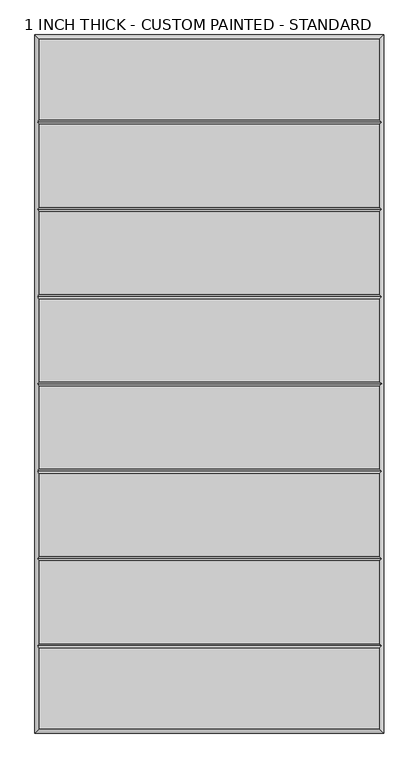
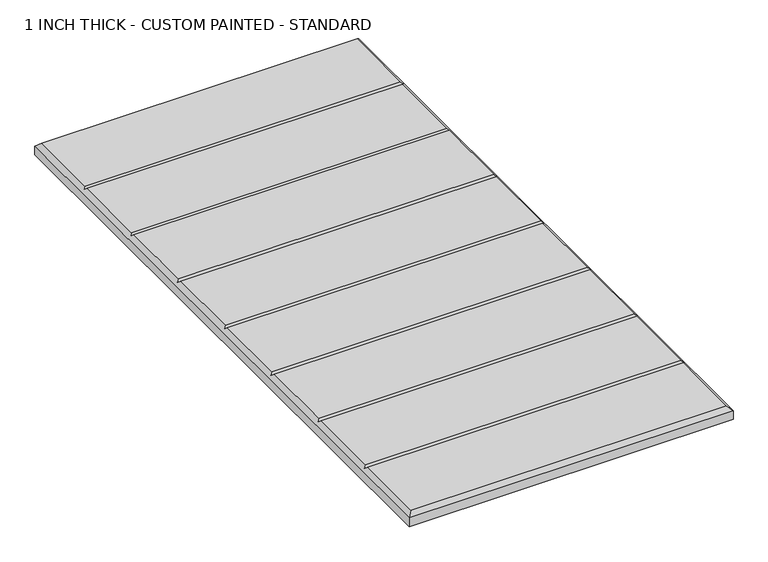
"""IFC4 building model written with IfcOpenShell, lengths in millimetres: proxy geometry, 1 INCH THICK - CUSTOM PAINTED - STANDARD."""

from ifc_helpers import new_model, si_unit, origin, place, context, project, spatial, faceted_brep, source, transform, mapped, element, save


def proxy_1_inch_thick_custom_painted_standard_201ae5f7(model_context):
    return source(origin(), model_context, "Body", "Brep", [
        faceted_brep([(296.799, 601.599, 25.4), (-296.799, 601.599, 25.4), (-296.799, 461.2005254, 25.4), (296.799, 461.2005254, 25.4), (-296.799, -601.599, 25.4), (296.799, -601.599, 25.4), (296.799, -461.2004746, 25.4), (-296.799, -461.2004746, 25.4), (296.799, 453.1995254, 25.4), (-296.799, 453.1995254, 25.4), (-296.799, 308.8005254, 25.4), (296.799, 308.8005254, 25.4), (296.799, -308.8005, 25.4), (-296.799, -308.8005, 25.4), (-296.799, -453.1994746, 25.4), (296.799, -453.1994746, 25.4), (-296.799, -300.7995, 25.4), (296.799, -300.7995, 25.4), (296.799, -156.4004746, 25.4), (-296.799, -156.4004746, 25.4), (296.799, 300.7995254, 25.4), (-296.799, 300.7995254, 25.4), (-296.799, 156.4005254, 25.4), (296.799, 156.4005254, 25.4), (296.799, 148.3995254, 25.4), (-296.799, 148.3995254, 25.4), (-296.799, 4.0005254, 25.4), (296.799, 4.0005254, 25.4), (296.799, -4.0004746, 25.4), (-296.799, -4.0004746, 25.4), (-296.799, -148.3994746, 25.4), (296.799, -148.3994746, 25.4), (-304.8, 609.6, 0.0), (304.8, 609.6, 0.0), (304.8, -609.6, 0.0), (-304.8, -609.6, 0.0), (-304.8, -609.6, 17.399), (-304.8, 609.6, 17.399), (304.8, -609.6, 17.399), (304.8, 609.6, 17.399), (-300.7995, -457.1999746, 21.3995), (-300.7995, -304.8, 21.3995), (-300.7995, -152.3999746, 21.3995), (-300.7995, 2.54e-05, 21.3995), (-300.7995, 152.4000254, 21.3995), (-300.7995, 304.8000254, 21.3995), (-300.7995, 457.2000254, 21.3995), (300.7995, 457.2000254, 21.3995), (300.7995, 304.8000254, 21.3995), (300.7995, 152.4000254, 21.3995), (300.7995, 2.54e-05, 21.3995), (300.7995, -152.3999746, 21.3995), (300.7995, -304.8, 21.3995), (300.7995, -457.1999746, 21.3995)], [[[0, 1, 2, 3]], [[4, 5, 6, 7]], [[8, 9, 10, 11]], [[12, 13, 14, 15]], [[16, 17, 18, 19]], [[20, 21, 22, 23]], [[24, 25, 26, 27]], [[28, 29, 30, 31]], [[32, 33, 34, 35]], [[32, 35, 36, 37]], [[35, 34, 38, 36]], [[34, 33, 39, 38]], [[33, 32, 37, 39]], [[37, 1, 0, 39]], [[1, 37, 36, 4, 7, 40, 14, 13, 41, 16, 19, 42, 30, 29, 43, 26, 25, 44, 22, 21, 45, 10, 9, 46, 2]], [[4, 36, 38, 5]], [[39, 0, 3, 47, 8, 11, 48, 20, 23, 49, 24, 27, 50, 28, 31, 51, 18, 17, 52, 12, 15, 53, 6, 5, 38]], [[47, 46, 9, 8]], [[46, 47, 3, 2]], [[52, 41, 13, 12]], [[41, 52, 17, 16]], [[53, 40, 7, 6]], [[40, 53, 15, 14]], [[48, 45, 21, 20]], [[45, 48, 11, 10]], [[49, 44, 25, 24]], [[44, 49, 23, 22]], [[50, 43, 29, 28]], [[43, 50, 27, 26]], [[51, 42, 19, 18]], [[42, 51, 31, 30]]]),
    ])


if __name__ == "__main__":
    model = new_model("IFC4")
    model_context = context("Model", 3, world=origin())
    ifc_project = project(units=[si_unit("LENGTHUNIT", "METRE", prefix="MILLI")], contexts=[model_context])
    site = spatial("IfcSite", under=ifc_project)
    building = spatial("IfcBuilding", under=site)
    placement = place(None, origin())
    proxy_1_inch_thick_custom_painted_standard_shape = proxy_1_inch_thick_custom_painted_standard_201ae5f7(model_context)
    element("IfcBuildingElementProxy", 1, Name="1 INCH THICK - CUSTOM PAINTED - STANDARD", ObjectType="1 INCH THICK - CUSTOM PAINTED - STANDARD", at=placement, inside=building, context=model_context, shape_type="MappedRepresentation", body=[
        mapped(proxy_1_inch_thick_custom_painted_standard_shape, transform((0.0, 0.0, 0.0), x_axis=(1.0, 0.0, 0.0), y_axis=(0.0, 1.0, 0.0), z_axis=(0.0, 0.0, 1.0))),
    ])
    save(model, "model.ifc")
